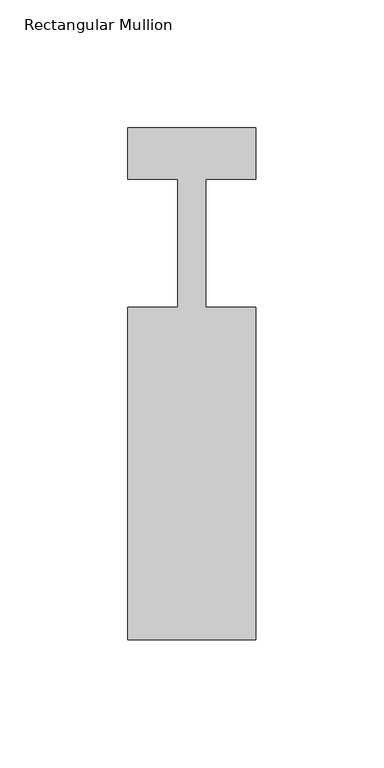
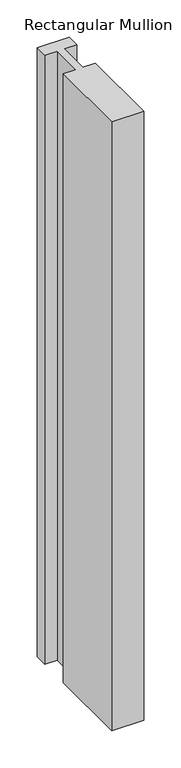
"""IFC4 building model written with IfcOpenShell, lengths in millimetres: member geometry, Rectangular Mullion."""

from ifc_helpers import new_model, si_unit, frame, origin, place, context, project, spatial, polyline, outline, extrude, source, transform, mapped, element, save


def rectangular_mullion_7d9bc477(model_context):
    return source(origin(), model_context, "Body", "SweptSolid", [
        extrude(outline(polyline([(-50.0, -153.0), (-50.0, -23.0), (-30.5, -23.0), (-30.5, 27.0), (-50.0, 27.0), (-50.0, 47.0), (0.0, 47.0), (0.0, 27.0), (-19.5000001, 27.0), (-19.5000001, -23.0), (0.0, -23.0), (0.0, -153.0), (-50.0, -153.0)])), frame((0.0, 0.0, -1000.0), z_axis=(0.0, 0.0, 1.0), x_axis=(1.0, 0.0, 0.0)), (0.0, 0.0, 1.0), 1000.0),
    ])


if __name__ == "__main__":
    model = new_model("IFC4")
    model_context = context("Model", 3, world=origin())
    ifc_project = project(units=[si_unit("LENGTHUNIT", "METRE", prefix="MILLI")], contexts=[model_context])
    site = spatial("IfcSite", under=ifc_project)
    building = spatial("IfcBuilding", under=site)
    placement = place(None, origin())
    rectangular_mullion_shape = rectangular_mullion_7d9bc477(model_context)
    element("IfcMember", 1, ObjectType="Rectangular Mullion", at=placement, inside=building, context=model_context, shape_type="MappedRepresentation", body=[
        mapped(rectangular_mullion_shape, transform((0.0, 0.0, 0.0), x_axis=(1.0, 0.0, 0.0), y_axis=(0.0, 1.0, 0.0), z_axis=(0.0, 0.0, 1.0))),
    ])
    save(model, "model.ifc")
